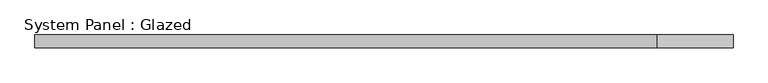
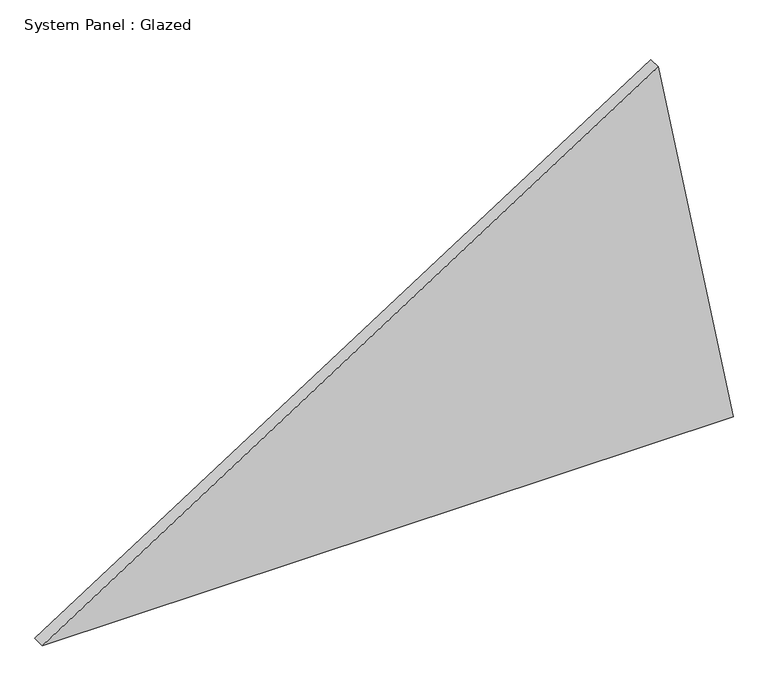
"""IFC4 building model written with IfcOpenShell, lengths in millimetres: plate geometry, System Panel : Glazed."""

from ifc_helpers import new_model, si_unit, frame, origin, place, context, project, spatial, polyline, outline, extrude, source, transform, mapped, element, save


def system_panel_glazed_1a676754(model_context):
    return source(origin(), model_context, "Body", "SweptSolid", [
        extrude(outline(polyline([(0.0, -990.5244602), (0.0, 990.5244602), (1135.975876, 775.4884401), (0.0, -990.5244602)])), frame((0.0, -18.0, 0.0), z_axis=(0.0, 1.0, 0.0), x_axis=(0.0, 0.0, 1.0)), (0.0, 0.0, 1.0), 36.0),
    ])


if __name__ == "__main__":
    model = new_model("IFC4")
    model_context = context("Model", 3, world=origin())
    ifc_project = project(units=[si_unit("LENGTHUNIT", "METRE", prefix="MILLI")], contexts=[model_context])
    site = spatial("IfcSite", under=ifc_project)
    building = spatial("IfcBuilding", under=site)
    placement = place(None, origin())
    system_panel_glazed_shape = system_panel_glazed_1a676754(model_context)
    element("IfcPlate", 1, ObjectType="System Panel : Glazed", at=placement, inside=building, context=model_context, shape_type="MappedRepresentation", body=[
        mapped(system_panel_glazed_shape, transform((0.0, 0.0, 0.0), x_axis=(1.0, 0.0, 0.0), y_axis=(0.0, 1.0, 0.0), z_axis=(0.0, 0.0, 1.0))),
    ])
    save(model, "model.ifc")
